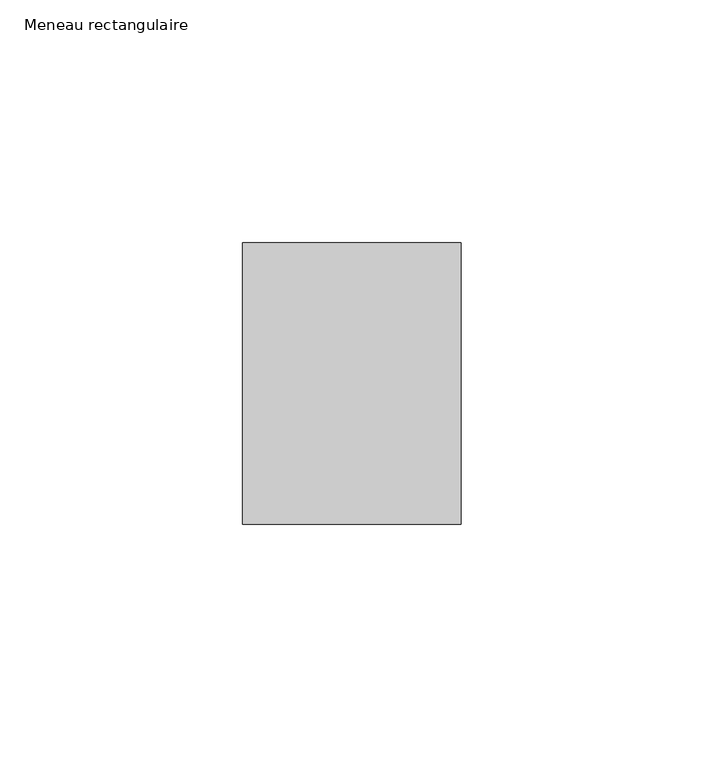
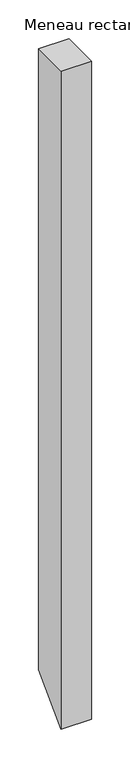
"""IFC4 building model written with IfcOpenShell, lengths in millimetres: member geometry, Meneau rectangulaire."""

from ifc_helpers import new_model, si_unit, frame, origin, place, context, project, spatial, polyline, outline, extrude, source, transform, mapped, element, save


def meneau_rectangulaire_43187357(model_context):
    return source(origin(), model_context, "Body", "SweptSolid", [
        extrude(outline(polyline([(-29.0, 0.0), (29.0, 0.0), (29.0, -976.5040494), (-29.0, -1034.5040494), (-29.0, 0.0)])), frame((-45.0, 0.0, 0.0), z_axis=(1.0, 0.0, 0.0), x_axis=(0.0, 1.0, 0.0)), (0.0, 0.0, 1.0), 45.0),
    ])


if __name__ == "__main__":
    model = new_model("IFC4")
    model_context = context("Model", 3, world=origin())
    ifc_project = project(units=[si_unit("LENGTHUNIT", "METRE", prefix="MILLI")], contexts=[model_context])
    site = spatial("IfcSite", under=ifc_project)
    building = spatial("IfcBuilding", under=site)
    placement = place(None, origin())
    meneau_rectangulaire_shape = meneau_rectangulaire_43187357(model_context)
    element("IfcMember", 1, ObjectType="Meneau rectangulaire", at=placement, inside=building, context=model_context, shape_type="MappedRepresentation", body=[
        mapped(meneau_rectangulaire_shape, transform((0.0, 0.0, 0.0), x_axis=(1.0, 0.0, 0.0), y_axis=(0.0, 1.0, 0.0), z_axis=(0.0, 0.0, 1.0))),
    ])
    save(model, "model.ifc")
